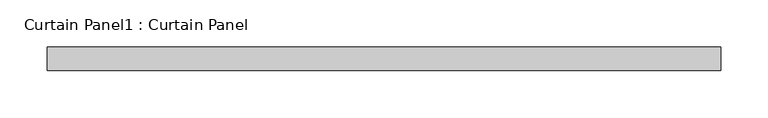
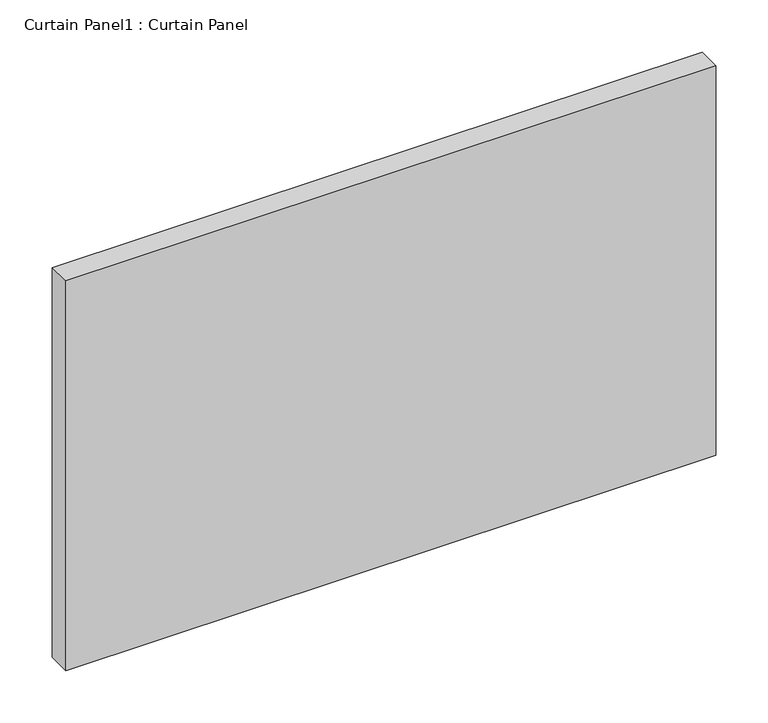
"""IFC4 building model written with IfcOpenShell, lengths in millimetres: plate geometry, Curtain Panel1 : Curtain Panel."""

from ifc_helpers import new_model, si_unit, frame, origin, place, context, project, spatial, polyline, outline, extrude, source, transform, mapped, element, save


def curtain_panel1_curtain_panel_0b2f2296(model_context):
    return source(origin(), model_context, "Body", "SweptSolid", [
        extrude(outline(polyline([(4709.5292464, 3568.3617926), (3993.8222539, 3568.3617926), (3993.8222539, 3593.7617926), (4709.5292464, 3593.7617926), (4709.5292464, 3568.3617926)])), frame((0.0, 0.0, 2554.4605164), z_axis=(0.0, 0.0, 1.0), x_axis=(1.0, 0.0, 0.0)), (0.0, 0.0, 1.0), 453.7164361),
    ])


if __name__ == "__main__":
    model = new_model("IFC4")
    model_context = context("Model", 3, world=origin())
    ifc_project = project(units=[si_unit("LENGTHUNIT", "METRE", prefix="MILLI")], contexts=[model_context])
    site = spatial("IfcSite", under=ifc_project)
    building = spatial("IfcBuilding", under=site)
    placement = place(None, origin())
    curtain_panel1_curtain_panel_shape = curtain_panel1_curtain_panel_0b2f2296(model_context)
    element("IfcPlate", 1, ObjectType="Curtain Panel1 : Curtain Panel", at=placement, inside=building, context=model_context, shape_type="MappedRepresentation", body=[
        mapped(curtain_panel1_curtain_panel_shape, transform((0.0, 0.0, 0.0), x_axis=(1.0, 0.0, 0.0), y_axis=(0.0, 1.0, 0.0), z_axis=(0.0, 0.0, 1.0))),
    ])
    save(model, "model.ifc")
